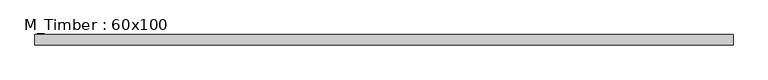
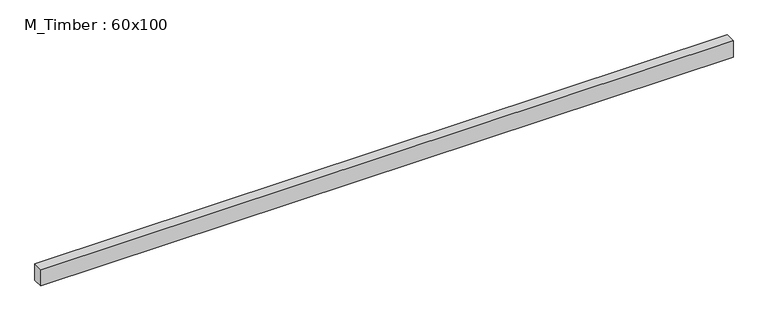
"""IFC4 building model written with IfcOpenShell, lengths in millimetres: beam geometry, M_Timber : 60x100."""

from ifc_helpers import new_model, si_unit, frame, origin, place, context, project, spatial, polyline, outline, extrude, source, transform, mapped, element, save


def m_timber_60x100_18ab3461(model_context):
    return source(origin(), model_context, "Body", "SweptSolid", [
        extrude(outline(polyline([(2089.2274112, 30.0), (2089.2274112, -30.0), (-1902.8349292, -30.0), (-1902.8349292, 30.0), (2089.2274112, 30.0)])), frame((0.0, 0.0, -50.0), z_axis=(0.0, 0.0, 1.0), x_axis=(1.0, 0.0, 0.0)), (0.0, 0.0, 1.0), 100.0),
    ])


if __name__ == "__main__":
    model = new_model("IFC4")
    model_context = context("Model", 3, world=origin())
    ifc_project = project(units=[si_unit("LENGTHUNIT", "METRE", prefix="MILLI")], contexts=[model_context])
    site = spatial("IfcSite", under=ifc_project)
    building = spatial("IfcBuilding", under=site)
    placement = place(None, origin())
    m_timber_60x100_shape = m_timber_60x100_18ab3461(model_context)
    element("IfcBeam", 1, ObjectType="M_Timber : 60x100", at=placement, inside=building, context=model_context, shape_type="MappedRepresentation", body=[
        mapped(m_timber_60x100_shape, transform((0.0, 0.0, 0.0), x_axis=(1.0, 0.0, 0.0), y_axis=(0.0, 1.0, 0.0), z_axis=(0.0, 0.0, 1.0))),
    ])
    save(model, "model.ifc")
